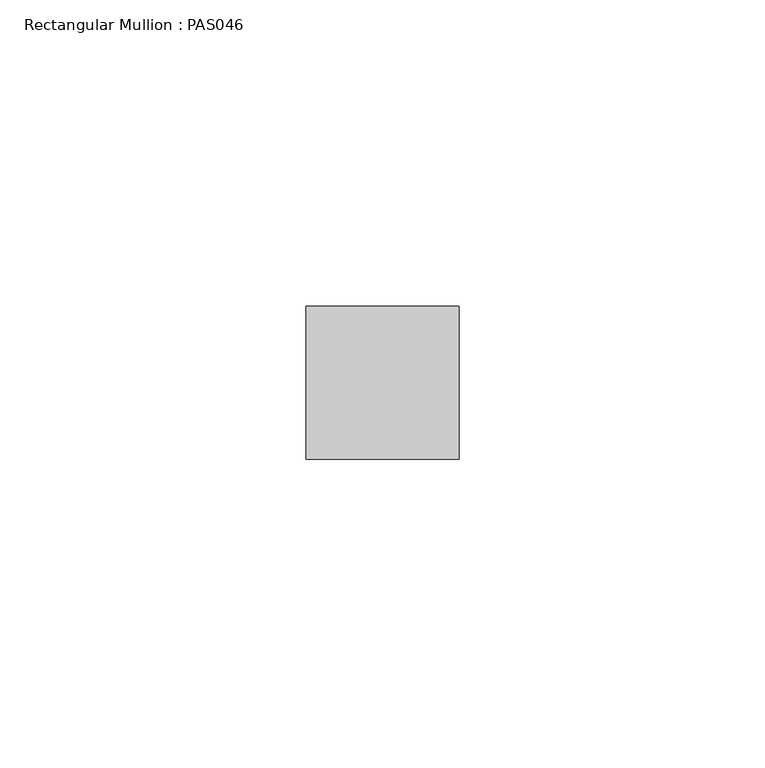
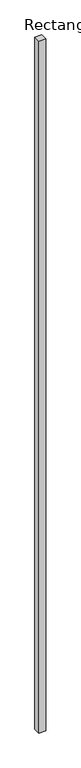
"""IFC4 building model written with IfcOpenShell, lengths in millimetres: member geometry, Rectangular Mullion : PAS046."""

from ifc_helpers import new_model, si_unit, frame, origin, place, context, project, spatial, polyline, outline, extrude, source, transform, mapped, element, save


def rectangular_mullion_pas046_f0e9e0cf(model_context):
    return source(origin(), model_context, "Body", "SweptSolid", [
        extrude(outline(polyline([(0.0, 0.0), (-25.0, 0.0), (-25.0, 25.0), (0.0, 25.0), (0.0, 0.0)])), frame((0.0, 0.0, -2700.0), z_axis=(0.0, 0.0, 1.0), x_axis=(1.0, 0.0, 0.0)), (0.0, 0.0, 1.0), 2700.0),
    ])


if __name__ == "__main__":
    model = new_model("IFC4")
    model_context = context("Model", 3, world=origin())
    ifc_project = project(units=[si_unit("LENGTHUNIT", "METRE", prefix="MILLI")], contexts=[model_context])
    site = spatial("IfcSite", under=ifc_project)
    building = spatial("IfcBuilding", under=site)
    placement = place(None, origin())
    rectangular_mullion_pas046_shape = rectangular_mullion_pas046_f0e9e0cf(model_context)
    element("IfcMember", 1, ObjectType="Rectangular Mullion : PAS046", at=placement, inside=building, context=model_context, shape_type="MappedRepresentation", body=[
        mapped(rectangular_mullion_pas046_shape, transform((0.0, 0.0, 0.0), x_axis=(1.0, 0.0, 0.0), y_axis=(0.0, 1.0, 0.0), z_axis=(0.0, 0.0, 1.0))),
    ])
    save(model, "model.ifc")
